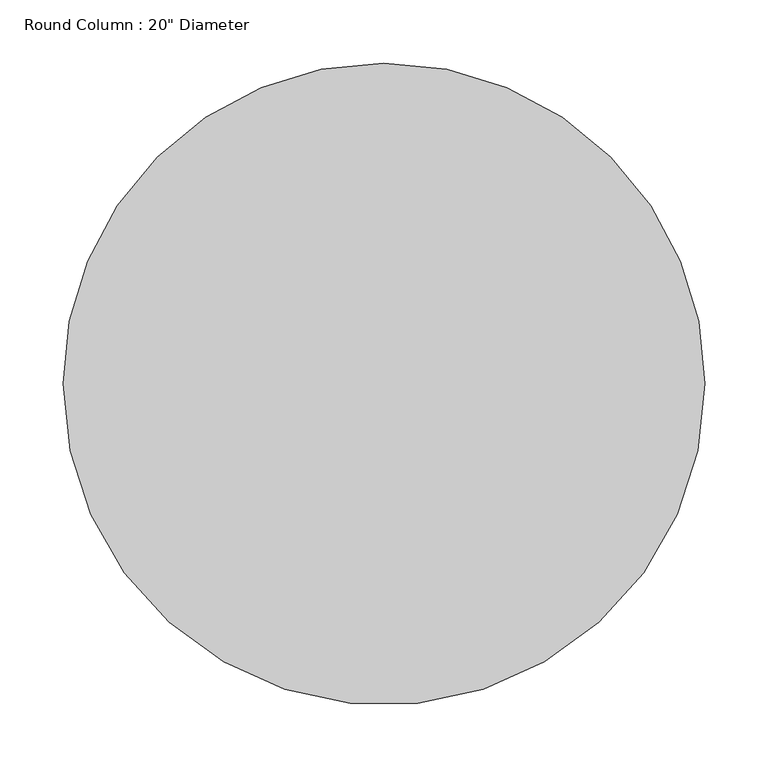
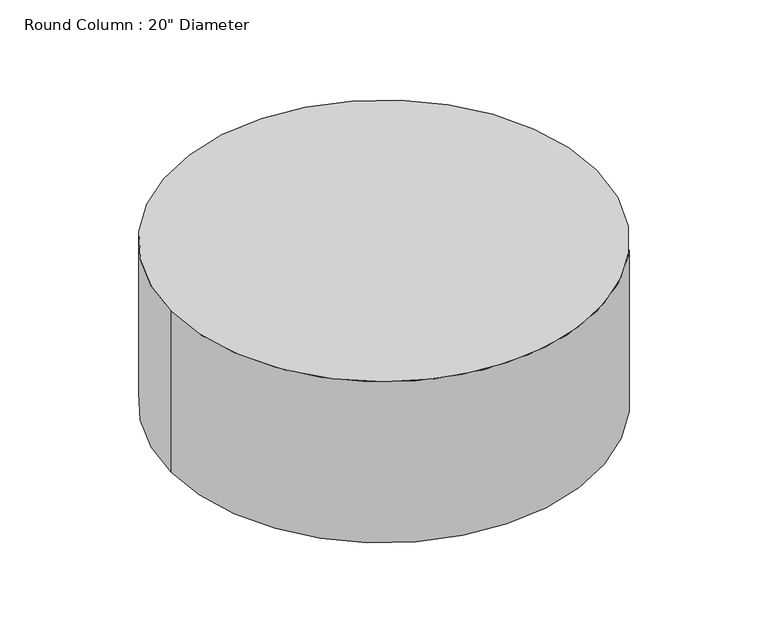
"""IFC4 building model written with IfcOpenShell, lengths in millimetres: column geometry."""

import ifcopenshell
import ifcopenshell.guid

model = None  # the IFC model being written
_history = None  # IfcOwnerHistory: only IFC2X3 demands one
_inside = {}  # id of a spatial element -> (the spatial element, [elements in it])
_under = {}  # id of a project, library or spatial element -> (it, [spatial elements below it])
_declared = {}  # id of a project -> (the project, [libraries it declares])
_typed = {}  # id of a type object -> (the type object, [elements of that type])
_made_of = {}  # id of a material, layer set ... -> (it, [elements and type objects made of it])


def new_model(schema):
    """Start an empty IFC model of exactly this schema.

    Asked for "IFC4X3", IfcOpenShell would pick the latest addendum, in which some entities
    have other attributes; the version numbers below select the first issue.
    IFC2X3 requires an IfcOwnerHistory on every rooted entity: one is made here for all.
    """
    global model, _history
    if schema == "IFC4X3":
        model = ifcopenshell.file(schema_version=(4, 3, 0, 0))
    else:
        model = ifcopenshell.file(schema=schema)
    _inside.clear()
    _under.clear()
    _declared.clear()
    _typed.clear()
    _made_of.clear()
    _history = None
    if model.schema == "IFC2X3":
        org = make("IfcOrganization", Name="unknown")
        user = make(
            "IfcPersonAndOrganization",
            ThePerson=make("IfcPerson", FamilyName="unknown"),
            TheOrganization=org,
        )
        app = make(
            "IfcApplication",
            ApplicationDeveloper=org,
            Version="unknown",
            ApplicationFullName="unknown",
            ApplicationIdentifier="unknown",
        )
        _history = make(
            "IfcOwnerHistory",
            OwningUser=user,
            OwningApplication=app,
            ChangeAction="ADDED",
            CreationDate=0,
        )
    return model


def make(cls, **values):
    """One entity of the class cls with the attributes given. An attribute that is None is left unset."""
    return model.create_entity(
        cls, **{name: value for name, value in values.items() if value is not None}
    )


def rooted(cls, **values):
    """An entity with a GlobalId (a new one), such as an element, a storey or a relation."""
    return make(cls, GlobalId=ifcopenshell.guid.new(), OwnerHistory=_history, **values)


def si_unit(unit_type, name, prefix=None):
    """IfcSIUnit, for example si_unit("LENGTHUNIT", "METRE", prefix="MILLI")."""
    return make("IfcSIUnit", UnitType=unit_type, Prefix=prefix, Name=name)


def assignment(units):
    """IfcUnitAssignment: the units of a project."""
    return None if units is None else make("IfcUnitAssignment", Units=units)


def point(xyz):
    """IfcCartesianPoint."""
    return None if xyz is None else make("IfcCartesianPoint", Coordinates=xyz)


def direction(xyz):
    """IfcDirection."""
    return None if xyz is None else make("IfcDirection", DirectionRatios=xyz)


def frame(location, z_axis=None, x_axis=None):
    """IfcAxis2Placement3D, a coordinate frame: its origin and axes. An axis left out is left unset."""
    return make(
        "IfcAxis2Placement3D",
        Location=point(location),
        Axis=direction(z_axis),
        RefDirection=direction(x_axis),
    )


def frame_2d(location, x_axis=None):
    """IfcAxis2Placement2D, a coordinate frame in the plane: its origin and x axis."""
    return make(
        "IfcAxis2Placement2D", Location=point(location), RefDirection=direction(x_axis)
    )


def origin():
    """The frame at (0, 0, 0) with its axes left unset."""
    return frame((0.0, 0.0, 0.0))


def origin_2d():
    """The frame at (0, 0) in the plane with its x axis left unset."""
    return frame_2d((0.0, 0.0))


def place(relative_to, where):
    """IfcLocalPlacement: puts the frame where relative to a parent placement (None: the world)."""
    return make(
        "IfcLocalPlacement", PlacementRelTo=relative_to, RelativePlacement=where
    )


def context(
    kind, dimensions, precision=None, world=None, true_north=None, identifier=None
):
    """IfcGeometricRepresentationContext, for example the 3D "Model" context."""
    return make(
        "IfcGeometricRepresentationContext",
        ContextIdentifier=identifier,
        ContextType=kind,
        CoordinateSpaceDimension=dimensions,
        Precision=precision,
        WorldCoordinateSystem=world,
        TrueNorth=true_north,
    )


def project(units=None, contexts=None):
    """IfcProject with its units and contexts."""
    return rooted(
        "IfcProject",
        Name="project",
        RepresentationContexts=contexts,
        UnitsInContext=assignment(units),
    )


def spatial(cls, under=None, at=None, **own):
    """A site, building, storey or space (cls), placed at a placement, below another one or the project."""
    s = rooted(cls, ObjectPlacement=at, **own)
    if under is not None:
        _under.setdefault(under.id(), (under, []))[1].append(s)
    return s


def circle_curve(where, radius):
    """IfcCircle in the frame where."""
    return make("IfcCircle", Position=where, Radius=radius)


def trimmed(basis, trim1, trim2, sense, master):
    """IfcTrimmedCurve: the piece of a basis curve between two trims."""
    return make(
        "IfcTrimmedCurve",
        BasisCurve=basis,
        Trim1=trim1,
        Trim2=trim2,
        SenseAgreement=sense,
        MasterRepresentation=master,
    )


def segment(curve, same_sense, transition):
    """IfcCompositeCurveSegment."""
    return make(
        "IfcCompositeCurveSegment",
        Transition=transition,
        SameSense=same_sense,
        ParentCurve=curve,
    )


def composite_curve(segments, self_intersect=None):
    """IfcCompositeCurve: segments joined end to end."""
    return make("IfcCompositeCurve", Segments=segments, SelfIntersect=self_intersect)


def outline(outer, holes=None, kind="AREA"):
    """IfcArbitraryClosedProfileDef: a profile drawn as a closed curve; with holes, ...WithVoids."""
    if holes is None:
        return make("IfcArbitraryClosedProfileDef", ProfileType=kind, OuterCurve=outer)
    return make(
        "IfcArbitraryProfileDefWithVoids",
        ProfileType=kind,
        OuterCurve=outer,
        InnerCurves=holes,
    )


def extrude(swept, where, along, depth):
    """IfcExtrudedAreaSolid: the profile swept, set in the frame where, extruded along a direction by depth."""
    return make(
        "IfcExtrudedAreaSolid",
        SweptArea=swept,
        Position=where,
        ExtrudedDirection=direction(along),
        Depth=depth,
    )


def shape(context_of_items, identifier, shape_type, items):
    """IfcShapeRepresentation: the items that make up one representation, for example the "Body"."""
    return make(
        "IfcShapeRepresentation",
        ContextOfItems=context_of_items,
        RepresentationIdentifier=identifier,
        RepresentationType=shape_type,
        Items=items,
    )


def source(mapping_origin, context_of_items, identifier, shape_type, items):
    """IfcRepresentationMap: a shape defined once, which mapped items show again and again."""
    return make(
        "IfcRepresentationMap",
        MappingOrigin=mapping_origin,
        MappedRepresentation=shape(context_of_items, identifier, shape_type, items),
    )


def transform(
    local_origin,
    x_axis=None,
    y_axis=None,
    z_axis=None,
    scale=None,
    scale2=None,
    scale3=None,
    uniform=True,
):
    """IfcCartesianTransformationOperator3D, or its non-uniform kind. x_axis, y_axis, z_axis: its Axis1, 2, 3."""
    if uniform:
        return make(
            "IfcCartesianTransformationOperator3D",
            Axis1=direction(x_axis),
            Axis2=direction(y_axis),
            LocalOrigin=point(local_origin),
            Scale=scale,
            Axis3=direction(z_axis),
        )
    return make(
        "IfcCartesianTransformationOperator3DnonUniform",
        Axis1=direction(x_axis),
        Axis2=direction(y_axis),
        LocalOrigin=point(local_origin),
        Scale=scale,
        Axis3=direction(z_axis),
        Scale2=scale2,
        Scale3=scale3,
    )


def mapped(mapping_source, mapping_target):
    """IfcMappedItem: shows the shape of a source again, moved by a transform."""
    return make(
        "IfcMappedItem", MappingSource=mapping_source, MappingTarget=mapping_target
    )


def made_of(thing, what):
    """Note that an element or type object is made of a material, layer set ...; save() writes the relation."""
    if what is not None:
        _made_of.setdefault(what.id(), (what, []))[1].append(thing)
    return thing


def element(
    cls,
    number,
    at=None,
    inside=None,
    cuts=None,
    type_object=None,
    material=None,
    context=None,
    identifier="Body",
    shape_type=None,
    held_by="IfcProductDefinitionShape",
    body=None,
    shapes=None,
    **own,
):
    """One element of the class cls, such as IfcWall. Its Tag is "e" and its number.

    at: its placement. inside: the storey or other place that contains it. cuts: it is an
    opening in that element (IfcRelVoidsElement). A single representation is given by context,
    identifier, shape_type and body (its items); several are given by shapes. held_by: the class
    of the entity that holds the representations. save() writes the other relations.
    """
    e = rooted(cls, Tag="e%d" % number, ObjectPlacement=at, **own)
    if body is not None:
        shapes = [shape(context, identifier, shape_type, body)]
    if shapes is not None:
        e.Representation = make(held_by, Representations=shapes)
    if inside is not None:
        _inside.setdefault(inside.id(), (inside, []))[1].append(e)
    if cuts is not None:
        rooted(
            "IfcRelVoidsElement", RelatingBuildingElement=cuts, RelatedOpeningElement=e
        )
    if type_object is not None:
        _typed.setdefault(type_object.id(), (type_object, []))[1].append(e)
    return made_of(e, material)


def aggregate(whole, parts):
    """IfcRelAggregates: a whole, such as a stair, and the parts it consists of."""
    return rooted("IfcRelAggregates", RelatingObject=whole, RelatedObjects=parts)


def save(model, path):
    """Write the relations noted so far, then the file.

    IfcRelAggregates (storeys below a building ...), IfcRelContainedInSpatialStructure (elements
    in a storey), IfcRelDefinesByType, IfcRelAssociatesMaterial and IfcRelDeclares: one each for
    every whole, place, type object, material and project.
    """
    for whole, parts in _under.values():
        aggregate(whole, parts)
    for where, things in _inside.values():
        rooted(
            "IfcRelContainedInSpatialStructure",
            RelatedElements=things,
            RelatingStructure=where,
        )
    for kind, things in _typed.values():
        rooted("IfcRelDefinesByType", RelatedObjects=things, RelatingType=kind)
    for what, things in _made_of.values():
        rooted("IfcRelAssociatesMaterial", RelatedObjects=things, RelatingMaterial=what)
    for by, libraries in _declared.values():
        rooted("IfcRelDeclares", RelatingContext=by, RelatedDefinitions=libraries)
    model.write(path)


def column_f19c5eb6(model_context):
    return source(origin(), model_context, "Body", "SweptSolid", [
        extrude(outline(composite_curve([segment(trimmed(circle_curve(origin_2d(), 254.0), [point((254.0, 0.0))], [point((-254.0, 0.0))], False, "CARTESIAN"), True, "CONTINUOUS"), segment(trimmed(circle_curve(origin_2d(), 254.0), [point((-254.0, 0.0))], [point((0.0, 254.0))], False, "CARTESIAN"), True, "CONTINUOUS"), segment(trimmed(circle_curve(origin_2d(), 254.0), [point((0.0, 254.0))], [point((254.0, 0.0))], False, "CARTESIAN"), True, "CONTINUOUS")], self_intersect=False)), frame((0.0, 0.0, 1403.35), z_axis=(0.0, 0.0, 1.0), x_axis=(1.0, 0.0, 0.0)), (0.0, 0.0, 1.0), 203.2),
    ])


if __name__ == "__main__":
    model = new_model("IFC4")
    model_context = context("Model", 3, world=origin())
    ifc_project = project(units=[si_unit("LENGTHUNIT", "METRE", prefix="MILLI")], contexts=[model_context])
    site = spatial("IfcSite", under=ifc_project)
    building = spatial("IfcBuilding", under=site)
    placement = place(None, origin())
    column_shape = column_f19c5eb6(model_context)
    element("IfcColumn", 1, ObjectType="Round Column : 20\" Diameter", at=placement, inside=building, context=model_context, shape_type="MappedRepresentation", body=[
        mapped(column_shape, transform((0.0, 0.0, 0.0), x_axis=(1.0, 0.0, 0.0), y_axis=(0.0, 1.0, 0.0), z_axis=(0.0, 0.0, 1.0))),
    ])
    save(model, "model.ifc")
